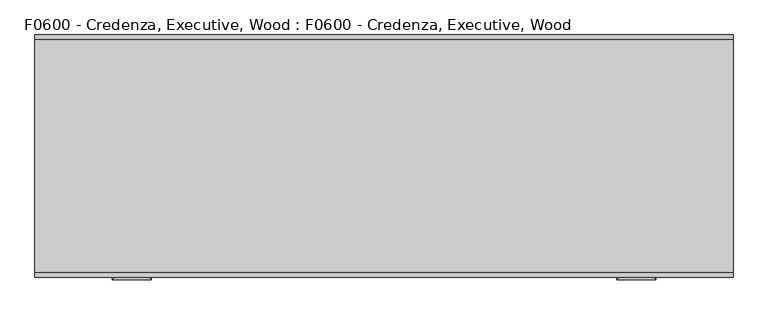
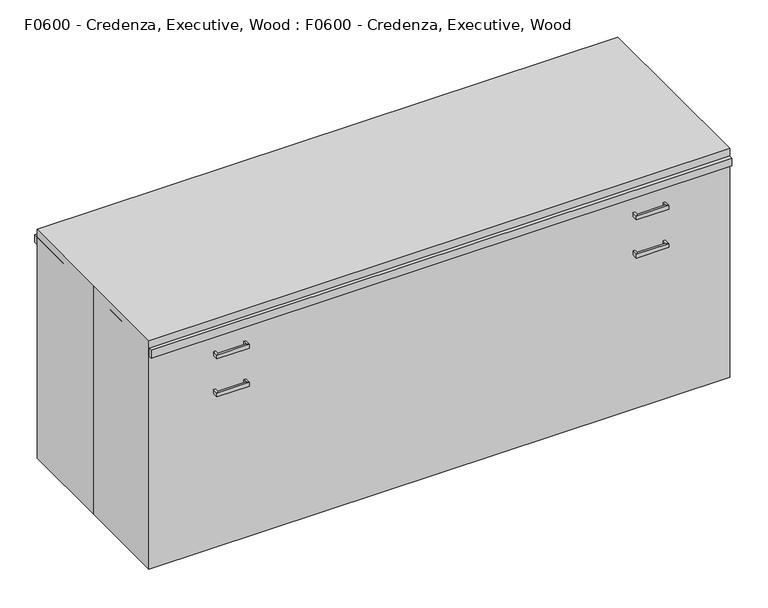
"""IFC4 building model written with IfcOpenShell, lengths in millimetres: proxy geometry, F0600 - Credenza, Executive, Wood : F0600 - Credenza, Executive, Wood."""

from ifc_helpers import new_model, si_unit, frame, origin, origin_with_axes, place, context, project, spatial, polyline, outline, extrude, faceted_brep, source, transform, mapped, element, save


def f0600_credenza_executive_wood_f0600_credenza_executive_wood_160093f6(model_context):
    return source(origin(), model_context, "Body", "SolidModel", [
        faceted_brep([(-704.85, -298.45, 527.05), (-704.85, -298.45, 514.35), (-711.2, -298.45, 514.35), (-711.2, -298.45, 527.05), (-704.85, -317.5, 527.05), (-704.85, -317.5, 514.35), (-711.2, -323.85, 514.35), (-711.2, -323.85, 527.05), (-615.95, -317.5, 527.05), (-615.95, -317.5, 514.35), (-609.6, -323.85, 514.35), (-609.6, -323.85, 527.05), (-615.95, -298.45, 527.05), (-609.6, -298.45, 527.05), (-609.6, -298.45, 514.35), (-615.95, -298.45, 514.35)], [[[0, 1, 2, 3]], [[1, 0, 4, 5]], [[2, 1, 5, 6]], [[3, 2, 6, 7]], [[0, 3, 7, 4]], [[5, 4, 8, 9]], [[6, 5, 9, 10]], [[7, 6, 10, 11]], [[4, 7, 11, 8]], [[12, 13, 14, 15]], [[9, 8, 12, 15]], [[10, 9, 15, 14]], [[11, 10, 14, 13]], [[8, 11, 13, 12]]]),
        faceted_brep([(-704.85, -298.45, 654.05), (-704.85, -298.45, 641.35), (-711.2, -298.45, 641.35), (-711.2, -298.45, 654.05), (-704.85, -317.5, 654.05), (-704.85, -317.5, 641.35), (-711.2, -323.85, 641.35), (-711.2, -323.85, 654.05), (-615.95, -317.5, 654.05), (-615.95, -317.5, 641.35), (-609.6, -323.85, 641.35), (-609.6, -323.85, 654.05), (-615.95, -298.45, 654.05), (-609.6, -298.45, 654.05), (-609.6, -298.45, 641.35), (-615.95, -298.45, 641.35)], [[[0, 1, 2, 3]], [[1, 0, 4, 5]], [[2, 1, 5, 6]], [[3, 2, 6, 7]], [[0, 3, 7, 4]], [[5, 4, 8, 9]], [[6, 5, 9, 10]], [[7, 6, 10, 11]], [[4, 7, 11, 8]], [[12, 13, 14, 15]], [[9, 8, 12, 15]], [[10, 9, 15, 14]], [[11, 10, 14, 13]], [[8, 11, 13, 12]]]),
        faceted_brep([(615.95, -298.45, 654.1373112), (615.95, -298.45, 641.4373112), (609.6, -298.45, 641.4373112), (609.6, -298.45, 654.1373112), (615.95, -317.5, 654.1373112), (615.95, -317.5, 641.4373112), (609.6, -323.85, 641.4373112), (609.6, -323.85, 654.1373112), (704.85, -317.5, 654.1373112), (704.85, -317.5, 641.4373112), (711.2, -323.85, 641.4373112), (711.2, -323.85, 654.1373112), (704.85, -298.45, 654.1373112), (711.2, -298.45, 654.1373112), (711.2, -298.45, 641.4373112), (704.85, -298.45, 641.4373112)], [[[0, 1, 2, 3]], [[1, 0, 4, 5]], [[2, 1, 5, 6]], [[3, 2, 6, 7]], [[0, 3, 7, 4]], [[5, 4, 8, 9]], [[6, 5, 9, 10]], [[7, 6, 10, 11]], [[4, 7, 11, 8]], [[12, 13, 14, 15]], [[9, 8, 12, 15]], [[10, 9, 15, 14]], [[11, 10, 14, 13]], [[8, 11, 13, 12]]]),
        faceted_brep([(615.95, -298.45, 527.05), (615.95, -298.45, 514.35), (609.6, -298.45, 514.35), (609.6, -298.45, 527.05), (615.95, -317.5, 527.05), (615.95, -317.5, 514.35), (609.6, -323.85, 514.35), (609.6, -323.85, 527.05), (704.85, -317.5, 527.05), (704.85, -317.5, 514.35), (711.2, -323.85, 514.35), (711.2, -323.85, 527.05), (704.85, -298.45, 527.05), (711.2, -298.45, 527.05), (711.2, -298.45, 514.35), (704.85, -298.45, 514.35)], [[[0, 1, 2, 3]], [[1, 0, 4, 5]], [[2, 1, 5, 6]], [[3, 2, 6, 7]], [[0, 3, 7, 4]], [[5, 4, 8, 9]], [[6, 5, 9, 10]], [[7, 6, 10, 11]], [[4, 7, 11, 8]], [[12, 13, 14, 15]], [[9, 8, 12, 15]], [[10, 9, 15, 14]], [[11, 10, 14, 13]], [[8, 11, 13, 12]]]),
        extrude(outline(polyline([(-914.4, 304.8), (914.4, 304.8), (914.4, -304.8), (-914.4, -304.8), (-914.4, 0.0), (-914.4, 304.8)])), origin_with_axes(), (0.0, 0.0, 1.0), 762.0),
        faceted_brep([(889.0, 317.5, 711.2), (-889.0, 317.5, 711.2), (-889.0, -292.1, 711.2), (889.0, -292.1, 711.2), (889.0, 317.5, 152.4), (889.0, -292.1, 152.4), (-889.0, -292.1, 152.4), (-889.0, 317.5, 152.4), (-431.8, -292.1, 692.15), (431.8, -292.1, 692.15), (431.8, -292.1, 171.45), (-431.8, -292.1, 171.45), (431.8, 298.45, 692.15), (-431.8, 298.45, 692.15), (-431.8, 298.45, 171.45), (431.8, 298.45, 171.45)], [[[0, 1, 2, 3]], [[4, 5, 6, 7]], [[1, 0, 4, 7]], [[2, 1, 7, 6]], [[3, 2, 6, 5], [8, 9, 10, 11]], [[0, 3, 5, 4]], [[12, 13, 14, 15]], [[13, 12, 9, 8]], [[14, 13, 8, 11]], [[15, 14, 11, 10]], [[12, 15, 10, 9]]]),
        extrude(outline(polyline([(431.8, -259.1517862), (-19.05, -259.1517862), (-19.05, -246.4517862), (431.8, -246.4517862), (431.8, -259.1517862)])), frame((0.0, 0.0, 171.45), z_axis=(0.0, 0.0, 1.0), x_axis=(1.0, 0.0, 0.0)), (0.0, 0.0, 1.0), 520.7),
        extrude(outline(polyline([(20.4311852, -271.8517862), (-431.8, -271.8517862), (-431.8, -259.1517862), (20.4311852, -259.1517862), (20.4311852, -271.8517862)])), frame((0.0, 0.0, 171.45), z_axis=(0.0, 0.0, 1.0), x_axis=(1.0, 0.0, 0.0)), (0.0, 0.0, 1.0), 520.7),
        faceted_brep([(787.4, 317.5, 152.4), (787.4, 215.9, 152.4), (889.0, 215.9, 152.4), (889.0, 317.5, 152.4), (812.8, 317.5, 0.0), (889.0, 317.5, 0.0), (889.0, 241.3, 0.0), (812.8, 241.3, 0.0)], [[[0, 1, 2, 3]], [[4, 5, 6, 7]], [[4, 7, 1, 0]], [[7, 6, 2, 1]], [[6, 5, 3, 2]], [[5, 4, 0, 3]]]),
        extrude(outline(polyline([(869.95, -298.45), (431.8, -298.45), (431.8, -292.1), (869.95, -292.1), (869.95, -298.45)])), frame((0.0, 0.0, 584.2), z_axis=(0.0, 0.0, 1.0), x_axis=(1.0, 0.0, 0.0)), (0.0, 0.0, 1.0), 107.95),
        extrude(outline(polyline([(869.95, -298.45), (431.8, -298.45), (431.8, -292.1), (869.95, -292.1), (869.95, -298.45)])), frame((0.0, 0.0, 171.45), z_axis=(0.0, 0.0, 1.0), x_axis=(1.0, 0.0, 0.0)), (0.0, 0.0, 1.0), 393.7),
        extrude(outline(polyline([(-431.8, -298.45), (-869.95, -298.45), (-869.95, -292.1), (-431.8, -292.1), (-431.8, -298.45)])), frame((0.0, 0.0, 584.2), z_axis=(0.0, 0.0, 1.0), x_axis=(1.0, 0.0, 0.0)), (0.0, 0.0, 1.0), 107.95),
        extrude(outline(polyline([(-431.8, -298.45), (-869.95, -298.45), (-869.95, -292.1), (-431.8, -292.1), (-431.8, -298.45)])), frame((0.0, 0.0, 171.45), z_axis=(0.0, 0.0, 1.0), x_axis=(1.0, 0.0, 0.0)), (0.0, 0.0, 1.0), 393.7),
        faceted_brep([(-787.4, -292.1, 152.4), (-787.4, -190.5, 152.4), (-889.0, -190.5, 152.4), (-889.0, -292.1, 152.4), (-812.8, -292.1, 0.0), (-889.0, -292.1, 0.0), (-889.0, -215.9, 0.0), (-812.8, -215.9, 0.0)], [[[0, 1, 2, 3]], [[4, 5, 6, 7]], [[4, 7, 1, 0]], [[7, 6, 2, 1]], [[6, 5, 3, 2]], [[5, 4, 0, 3]]]),
        faceted_brep([(-787.4, 317.5, 152.4), (-889.0, 317.5, 152.4), (-889.0, 215.9, 152.4), (-787.4, 215.9, 152.4), (-812.8, 317.5, 0.0), (-812.8, 241.3, 0.0), (-889.0, 241.3, 0.0), (-889.0, 317.5, 0.0)], [[[0, 1, 2, 3]], [[4, 5, 6, 7]], [[4, 7, 1, 0]], [[7, 6, 2, 1]], [[6, 5, 3, 2]], [[5, 4, 0, 3]]]),
        faceted_brep([(787.4, -292.1, 152.4), (889.0, -292.1, 152.4), (889.0, -190.5, 152.4), (787.4, -190.5, 152.4), (812.8, -292.1, 0.0), (812.8, -215.9, 0.0), (889.0, -215.9, 0.0), (889.0, -292.1, 0.0)], [[[0, 1, 2, 3]], [[4, 5, 6, 7]], [[4, 7, 1, 0]], [[7, 6, 2, 1]], [[6, 5, 3, 2]], [[5, 4, 0, 3]]]),
        extrude(outline(polyline([(914.4, 317.5), (914.4, -317.5), (-914.4, -317.5), (-914.4, 317.5), (914.4, 317.5)])), frame((0.0, 0.0, 711.2), z_axis=(0.0, 0.0, 1.0), x_axis=(1.0, 0.0, 0.0)), (0.0, 0.0, 1.0), 25.4),
    ])


if __name__ == "__main__":
    model = new_model("IFC4")
    model_context = context("Model", 3, world=origin())
    ifc_project = project(units=[si_unit("LENGTHUNIT", "METRE", prefix="MILLI")], contexts=[model_context])
    site = spatial("IfcSite", under=ifc_project)
    building = spatial("IfcBuilding", under=site)
    placement = place(None, origin())
    f0600_credenza_executive_wood_f0600_credenza_executive_wood_shape = f0600_credenza_executive_wood_f0600_credenza_executive_wood_160093f6(model_context)
    element("IfcBuildingElementProxy", 1, Name="F0600 - Credenza, Executive, Wood : F0600 - Credenza, Executive, Wood", ObjectType="F0600 - Credenza, Executive, Wood : F0600 - Credenza, Executive, Wood", at=placement, inside=building, context=model_context, shape_type="MappedRepresentation", body=[
        mapped(f0600_credenza_executive_wood_f0600_credenza_executive_wood_shape, transform((0.0, 0.0, 0.0), x_axis=(1.0, 0.0, 0.0), y_axis=(0.0, 1.0, 0.0), z_axis=(0.0, 0.0, 1.0))),
    ])
    save(model, "model.ifc")
